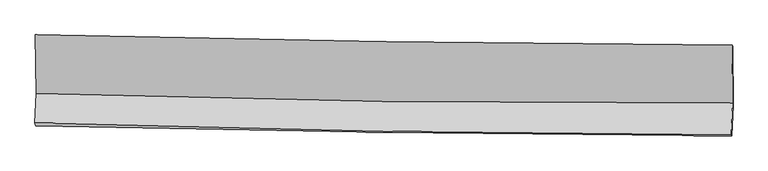
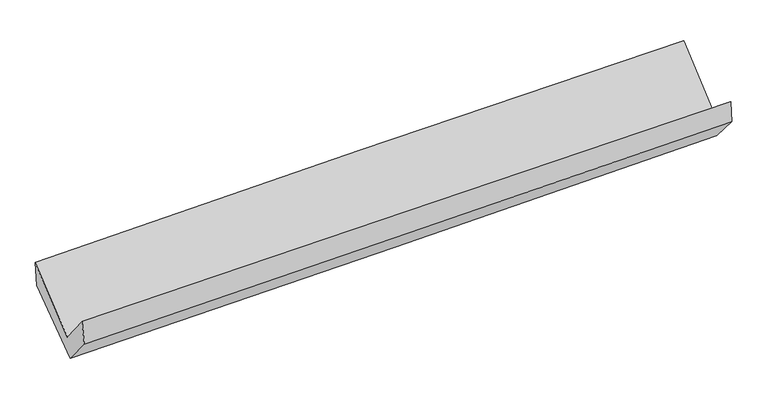
"""IFC4 building model written with IfcOpenShell, lengths in millimetres: proxy geometry."""

from ifc_helpers import new_model, si_unit, frame, origin, place, context, project, spatial, source, transform, mapped, element, save
from ifc_brep_helpers import plane_surface, spline_curve, spline_surface, advanced_brep


def generic_models_8ee7cff5(model_context):
    return source(origin(), model_context, "Body", "AdvancedBrep", [
        advanced_brep(
        [(-2990.0619808, -1171.9395891, 2174.2154909), (-2980.8927414, -1673.1916655, 1741.4130402), (2973.320069, -1756.4280207, 1876.9308299), (2968.929559, -1261.5740371, 2318.5472036), (-2992.1848578, -1928.0266335, 2054.8503497), (2961.7082525, -2031.1551754, 2192.4172128), (-2986.0707495, -1954.4103929, 1843.7598862), (2966.4780457, -2037.5762068, 1998.614734), (-2975.6428033, -1707.9846984, 1557.1022376), (2977.5308669, -1776.2580295, 1698.2171176), (-2983.7945236, -1190.0671784, 1960.0757961), (2973.7158736, -1272.4476208, 2121.6883667)],
        [
            (0, 1),
            (1, 2, spline_curve(3, [(-2980.8927414, -1673.1916655, 1741.4130402), (-1989.072995579, -1706.699246228, 1777.092594604), (-996.955614623, -1730.389265419, 1806.22574174), (987.782044206, -1758.132889758, 1851.397119726), (1980.402266791, -1762.188322199, 1867.436569036), (2973.320069, -1756.4280207, 1876.9308299)], [4, 2, 4], [0.0, 9.775988268483571, 19.551066605445307])),
            (2, 3),
            (3, 0, spline_curve(3, [(2968.929559, -1261.5740371, 2318.5472036), (1975.401840126, -1254.694676488, 2309.476745493), (982.078454299, -1243.785993971, 2292.914781867), (-1004.252097051, -1213.908594897, 2244.80560587), (-1997.259224491, -1194.939127859, 2213.25699822), (-2990.0619808, -1171.9395891, 2174.2154909)], [4, 2, 4], [0.0, 9.775078336961736, 19.551066605445307])),
            (1, 4),
            (4, 5, spline_curve(3, [(-2992.1848578, -1928.0266335, 2054.8503497), (-2000.311821194, -1958.218386729, 2090.188344121), (-1008.194440476, -1981.908406113, 2119.321491187), (976.436642019, -2016.283376433, 2165.175957488), (1968.95029802, -2026.969537996, 2181.898431243), (2961.7082525, -2031.1551754, 2192.4172128)], [4, 2, 4], [0.0, 9.771895714489633, 19.542881878385046])),
            (5, 2),
            (4, 6),
            (6, 7, spline_curve(3, [(-2986.0707495, -1954.4103929, 1843.7598862), (-1994.194517401, -1976.362644721, 1873.456316711), (-1002.187575848, -1994.269389727, 1901.20961285), (981.995380248, -2021.990574494, 1952.827533987), (1974.171370134, -2031.805767839, 1976.692520168), (2966.4780457, -2037.5762068, 1998.614734)], [4, 2, 4], [0.0, 9.770596494758525, 19.54028355985188])),
            (7, 5),
            (6, 8),
            (8, 9, spline_curve(3, [(-2975.6428033, -1707.9846984, 1557.1022376), (-1983.555515678, -1725.667758047, 1581.235611465), (-991.390973381, -1740.198850321, 1605.062404741), (993.000264687, -1762.95604053, 1652.10064084), (1985.226945489, -1771.18272541, 1675.312140985), (2977.5308669, -1776.2580295, 1698.2171176)], [4, 2, 4], [0.0, 9.769536823967272, 19.53816431690164])),
            (9, 7),
            (8, 10),
            (10, 11, spline_curve(3, [(-2983.7945236, -1190.0671784, 1960.0757961), (-1990.664883781, -1202.808093182, 1982.87258901), (-997.617762321, -1216.043929958, 2007.739422931), (988.21902155, -1243.504169808, 2061.610664833), (1981.008698876, -1257.72848038, 2090.614688105), (2973.7158736, -1272.4476208, 2121.6883667)], [4, 2, 4], [0.0, 9.773667708368663, 19.54642570120908])),
            (11, 9),
            (10, 0),
            (3, 11),
        ],
        [
            spline_surface(3, 3, [[(-2990.0619808, -1171.9395891, 2174.2154909), (-1997.259224583, -1194.939127972, 2213.256998346), (-1004.252097025, -1213.908594862, 2244.805605807), (982.078454273, -1243.785994006, 2292.91478193), (1975.401840005, -1254.694676451, 2309.47674535), (2968.929559, -1261.5740371, 2318.5472036)], [(-2987.005567663, -1339.023614546, 2029.948007356), (-1994.53048153, -1365.525834046, 2067.868863763), (-1001.819936227, -1386.068818399, 2098.612317798), (983.979650929, -1415.234959239, 2145.742227872), (1977.068648986, -1423.859225029, 2162.130019941), (2970.393062348, -1426.525364967, 2171.341745723)], [(-2983.949154537, -1506.107640054, 1885.680523744), (-1991.801738487, -1536.112540181, 1922.480729111), (-999.387775442, -1558.229041934, 1952.419029754), (985.880847571, -1586.683924472, 1998.56967378), (1978.735457923, -1593.023773607, 2014.783294462), (2971.856565652, -1591.476692833, 2024.136287777)], [(-2980.8927414, -1673.1916655, 1741.4130402), (-1989.072995433, -1706.699246254, 1777.092594527), (-996.955614644, -1730.38926547, 1806.225741745), (987.782044227, -1758.132889706, 1851.397119722), (1980.402266904, -1762.188322185, 1867.436569052), (2973.320069, -1756.4280207, 1876.9308299)]], [4, 4], [4, 2, 4], [0.0, 2.223568550937523], [0.0, 9.775988268483571, 19.551066605445307]),
            spline_surface(3, 3, [[(-2980.8927414, -1673.1916655, 1741.4130402), (-1989.072995433, -1706.699246254, 1777.092594527), (-996.955614644, -1730.38926547, 1806.225741745), (987.782044227, -1758.132889706, 1851.397119722), (1980.402266904, -1762.188322185, 1867.436569052), (2973.320069, -1756.4280207, 1876.9308299)], [(-2984.656780217, -1758.136654843, 1845.892143344), (-1992.819270652, -1790.538959805, 1881.457844364), (-1000.701889863, -1814.228979021, 1910.590991582), (984.000243466, -1844.183051963, 1955.990065575), (1976.584943908, -1850.448727404, 1972.257189728), (2969.449463477, -1848.003738928, 1982.092957511)], [(-2988.420818983, -1843.081644157, 1950.371246556), (-1996.565545821, -1874.378673328, 1985.82309427), (-1004.448165131, -1898.068692544, 2014.956241488), (980.218442655, -1930.233214193, 2060.583011497), (1972.767620981, -1938.709132638, 2077.077810469), (2965.578858023, -1939.579457172, 2087.255085189)], [(-2992.1848578, -1928.0266335, 2054.8503497), (-2000.31182104, -1958.218386879, 2090.188344107), (-1008.19444035, -1981.908406095, 2119.321491325), (976.436641894, -2016.28337645, 2165.17595735), (1968.950297984, -2026.969537857, 2181.898431145), (2961.7082525, -2031.1551754, 2192.4172128)]], [4, 4], [4, 2, 4], [0.0, 1.3258452220394112], [0.0, 9.771895714489633, 19.542881878385046]),
            spline_surface(3, 3, [[(-2992.1848578, -1928.0266335, 2054.8503497), (-2000.31182104, -1958.218386879, 2090.188344107), (-1008.19444035, -1981.908406095, 2119.321491325), (976.436641894, -2016.28337645, 2165.17595735), (1968.950297984, -2026.969537857, 2181.898431145), (2961.7082525, -2031.1551754, 2192.4172128)], [(-2990.146821703, -1936.821219974, 1984.486861884), (-1998.272719856, -1964.266472881, 2017.944335033), (-1006.192152206, -1986.028733933, 2046.61753188), (978.289554654, -2018.185775801, 2094.393149526), (1970.690655451, -2028.581614478, 2113.496460876), (2963.298183596, -2033.295519191, 2127.816386538)], [(-2988.108785597, -1945.615806426, 1914.123374016), (-1996.233618661, -1970.314558861, 1945.700325908), (-1004.18986399, -1990.149061826, 1973.913572419), (980.142467486, -2020.088175207, 2023.610341686), (1972.431012829, -2030.193691124, 2045.094490595), (2964.888114604, -2035.435863009, 2063.215560262)], [(-2986.0707495, -1954.4103929, 1843.7598862), (-1994.194517476, -1976.362644863, 1873.456316834), (-1002.187575846, -1994.269389663, 1901.209612974), (981.995380246, -2021.990574557, 1952.827533862), (1974.171370295, -2031.805767744, 1976.692520326), (2966.4780457, -2037.5762068, 1998.614734)]], [4, 4], [4, 2, 4], [0.0, 0.7070129644953819], [0.0, 9.770596494758525, 19.54028355985188]),
            spline_surface(3, 3, [[(-2986.0707495, -1954.4103929, 1843.7598862), (-1994.194517476, -1976.362644863, 1873.456316834), (-1002.187575846, -1994.269389663, 1901.209612974), (981.995380246, -2021.990574557, 1952.827533862), (1974.171370295, -2031.805767744, 1976.692520326), (2966.4780457, -2037.5762068, 1998.614734)], [(-2982.594767412, -1872.268494731, 1748.207336663), (-1990.648183483, -1892.797682599, 1776.04941501), (-998.588708283, -1909.579209883, 1802.493876859), (985.66367504, -1935.645729907, 1852.585236203), (1977.856562071, -1944.931420298, 1876.232393867), (2970.162319436, -1950.47014769, 1898.48219519)], [(-2979.118785388, -1790.126596569, 1652.654787137), (-1987.101849552, -1809.232720343, 1678.642513198), (-994.989840804, -1824.889030064, 1703.778140778), (989.331969753, -1849.300885218, 1752.342938577), (1981.541753838, -1858.057072879, 1775.772267439), (2973.846593164, -1863.36408861, 1798.34965641)], [(-2975.6428033, -1707.9846984, 1557.1022376), (-1983.555515559, -1725.66775808, 1581.235611374), (-991.390973241, -1740.198850284, 1605.062404663), (993.000264548, -1762.956040568, 1652.100640918), (1985.226945614, -1771.182725432, 1675.31214098), (2977.5308669, -1776.2580295, 1698.2171176)]], [4, 4], [4, 2, 4], [0.0, 1.2916781978602256], [0.0, 9.769536823967272, 19.53816431690164]),
            spline_surface(3, 3, [[(-2975.6428033, -1707.9846984, 1557.1022376), (-1983.555515559, -1725.66775808, 1581.235611374), (-991.390973241, -1740.198850284, 1605.062404663), (993.000264548, -1762.956040568, 1652.100640918), (1985.226945614, -1771.182725432, 1675.31214098), (2977.5308669, -1776.2580295, 1698.2171176)], [(-2978.36004342, -1535.345525055, 1691.42675711), (-1985.925305016, -1551.381203135, 1715.114603926), (-993.466569599, -1565.480543557, 1739.288077398), (991.406516836, -1589.805416952, 1788.6039823), (1983.820863362, -1600.031310422, 1813.746323358), (2976.259202459, -1608.321226626, 1839.374200648)], [(-2981.07728348, -1362.706351745, 1825.75127659), (-1988.295094414, -1377.094648226, 1848.993596446), (-995.542165891, -1390.762236801, 1873.513750048), (989.812769189, -1416.654793306, 1925.107323597), (1982.414781134, -1428.879895334, 1952.180505692), (2974.987538041, -1440.384423674, 1980.531283652)], [(-2983.7945236, -1190.0671784, 1960.0757961), (-1990.664883871, -1202.808093281, 1982.872588998), (-997.617762249, -1216.043930075, 2007.739422784), (988.219021477, -1243.50416969, 2061.61066498), (1981.008698882, -1257.728480323, 2090.61468807), (2973.7158736, -1272.4476208, 2121.6883667)]], [4, 4], [4, 2, 4], [0.0, 2.1693795517231744], [0.0, 9.773667708368663, 19.54642570120908]),
            spline_surface(3, 3, [[(-2983.7945236, -1190.0671784, 1960.0757961), (-1990.664883871, -1202.808093281, 1982.872588998), (-997.617762249, -1216.043930075, 2007.739422784), (988.219021477, -1243.50416969, 2061.61066498), (1981.008698882, -1257.728480323, 2090.61468807), (2973.7158736, -1272.4476208, 2121.6883667)], [(-2985.883675985, -1184.024648652, 2031.455694343), (-1992.862997426, -1200.185104863, 2059.667392091), (-999.829207177, -1215.332151657, 2086.761483781), (986.17216574, -1243.598111115, 2138.712037285), (1979.139745907, -1256.717212363, 2163.568707154), (2972.120435384, -1268.823092897, 2187.30797899)], [(-2987.972828415, -1177.982118848, 2102.835592657), (-1995.061111028, -1197.56211639, 2136.462195254), (-1002.040652097, -1214.62037328, 2165.783544811), (984.125310011, -1243.692052581, 2215.813409625), (1977.27079298, -1255.705944411, 2236.522726266), (2970.524997216, -1265.198565003, 2252.92759131)], [(-2990.0619808, -1171.9395891, 2174.2154909), (-1997.259224583, -1194.939127972, 2213.256998346), (-1004.252097025, -1213.908594862, 2244.805605807), (982.078454273, -1243.785994006, 2292.91478193), (1975.401840005, -1254.694676451, 2309.47674535), (2968.929559, -1261.5740371, 2318.5472036)]], [4, 4], [4, 2, 4], [0.0, 0.7686166189738153], [0.0, 9.778779189079097, 19.556648186862457]),
            plane_surface(frame((2970.2804445, -1689.2398484, 2034.4025774), z_axis=(0.9995952843027321, -0.013484924585930345, 0.025048441241960068), x_axis=(-0.005796500927301235, 0.7654895442836759, 0.6434222238696532))),
            plane_surface(frame((-2984.7746094, -1604.2700263, 1888.5694668), z_axis=(-0.999524829077016, 0.0075253737012619115, -0.029891216255253115), x_axis=(0.029151373625212213, -0.08431555478147167, -0.996012592609981))),
        ],
        [
            (0, [[1, 2, 3, 4]]),
            (1, [[5, 6, 7, -2]]),
            (2, [[8, 9, 10, -6]]),
            (3, [[11, 12, 13, -9]]),
            (4, [[14, 15, 16, -12]]),
            (5, [[17, -4, 18, -15]]),
            (6, [[-16, -18, -3, -7, -10, -13]]),
            (7, [[-17, -14, -11, -8, -5, -1]]),
        ],
    ),
    ])


if __name__ == "__main__":
    model = new_model("IFC4")
    model_context = context("Model", 3, world=origin())
    ifc_project = project(units=[si_unit("LENGTHUNIT", "METRE", prefix="MILLI")], contexts=[model_context])
    site = spatial("IfcSite", under=ifc_project)
    building = spatial("IfcBuilding", under=site)
    placement = place(None, origin())
    generic_models_shape = generic_models_8ee7cff5(model_context)
    element("IfcBuildingElementProxy", 1, Name="Generic Models", at=placement, inside=building, context=model_context, shape_type="MappedRepresentation", body=[
        mapped(generic_models_shape, transform((0.0, 0.0, 0.0), x_axis=(1.0, 0.0, 0.0), y_axis=(0.0, 1.0, 0.0), z_axis=(0.0, 0.0, 1.0))),
    ])
    save(model, "model.ifc")
